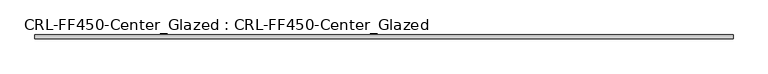
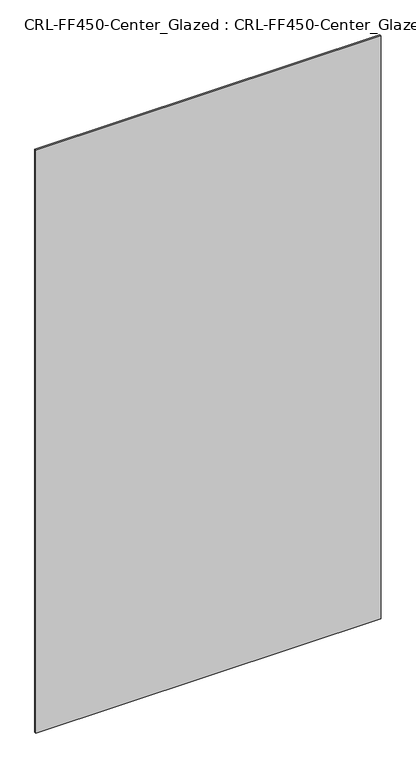
"""IFC4 building model written with IfcOpenShell, lengths in millimetres: plate geometry, CRL-FF450-Center_Glazed : CRL-FF450-Center_Glazed."""

from ifc_helpers import new_model, si_unit, origin, origin_with_axes, place, context, project, spatial, polyline, outline, extrude, source, transform, mapped, element, save


def crl_ff450_center_glazed_crl_ff450_center_glazed_10f5fcfb(model_context):
    return source(origin(), model_context, "Body", "SweptSolid", [
        extrude(outline(polyline([(592.6620295, 3.1749999), (592.6620295, -3.1749999), (-592.6620295, -3.1749999), (-592.6620295, 3.1749999), (592.6620295, 3.1749999)])), origin_with_axes(), (0.0, 0.0, 1.0), 2114.5499801),
    ])


if __name__ == "__main__":
    model = new_model("IFC4")
    model_context = context("Model", 3, world=origin())
    ifc_project = project(units=[si_unit("LENGTHUNIT", "METRE", prefix="MILLI")], contexts=[model_context])
    site = spatial("IfcSite", under=ifc_project)
    building = spatial("IfcBuilding", under=site)
    placement = place(None, origin())
    crl_ff450_center_glazed_crl_ff450_center_glazed_shape = crl_ff450_center_glazed_crl_ff450_center_glazed_10f5fcfb(model_context)
    element("IfcPlate", 1, ObjectType="CRL-FF450-Center_Glazed : CRL-FF450-Center_Glazed", at=placement, inside=building, context=model_context, shape_type="MappedRepresentation", body=[
        mapped(crl_ff450_center_glazed_crl_ff450_center_glazed_shape, transform((0.0, 0.0, 0.0), x_axis=(1.0, 0.0, 0.0), y_axis=(0.0, 1.0, 0.0), z_axis=(0.0, 0.0, 1.0))),
    ])
    save(model, "model.ifc")
